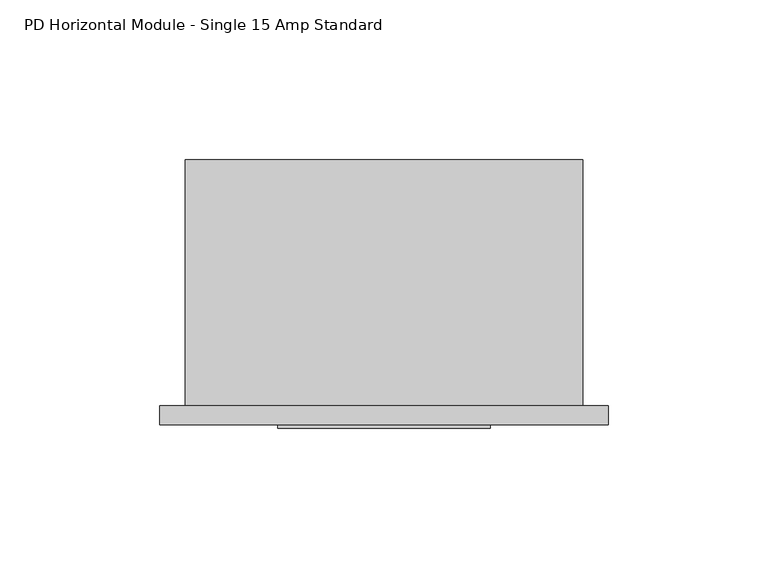
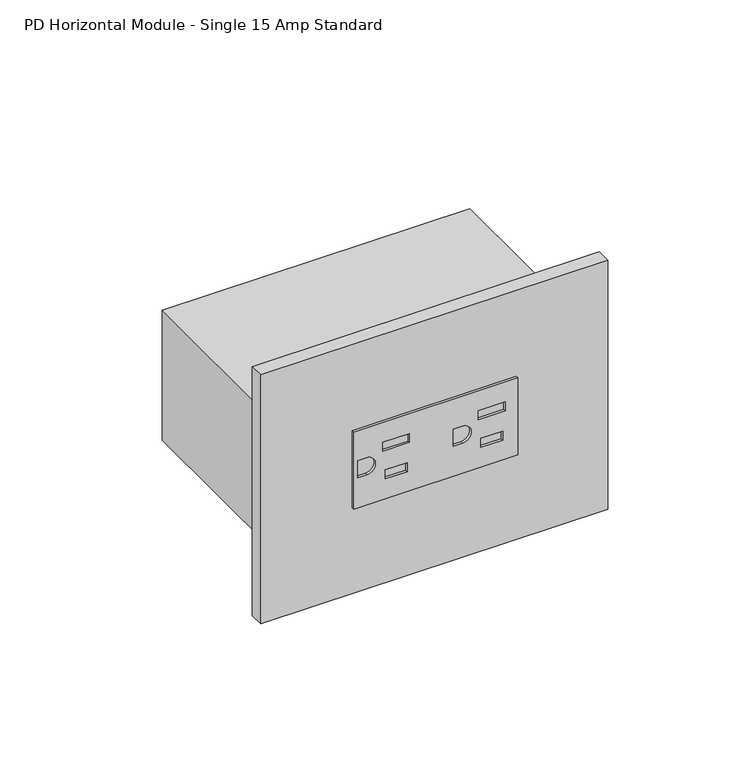
"""IFC4 building model written with IfcOpenShell, lengths in millimetres: proxy geometry, PD Horizontal Module - Single 15 Amp Standard."""

from ifc_helpers import new_model, si_unit, point, frame, frame_2d, origin, place, context, project, spatial, polyline, circle_curve, trimmed, segment, composite_curve, outline, extrude, source, transform, mapped, element, save


def pd_horizontal_module_single_15_amp_standard_5c934545(model_context):
    return source(origin(), model_context, "Body", "SweptSolid", [
        extrude(outline(polyline([(821.7027, 95.5294), (854.6973, 95.5294), (854.6973, 28.9814), (821.7027, 28.9814), (821.7027, 95.5294)]), holes=[polyline([(842.3529, 90.3478), (842.3529, 79.5274), (846.1883, 79.5274), (846.1883, 90.3478), (842.3529, 90.3478)]), polyline([(830.1863, 89.3699), (830.1863, 80.5053), (834.0217, 80.5053), (834.0217, 89.3699), (830.1863, 89.3699)]), composite_curve([segment(polyline([(834.5678, 69.342), (841.8322, 69.342), (841.8322, 72.9742)]), True, "CONTINUOUS"), segment(trimmed(circle_curve(frame_2d((838.2, 72.9742)), 3.6322), [point((841.8322, 72.9742))], [point((834.5678, 72.9742))], True, "CARTESIAN"), True, "CONTINUOUS"), segment(polyline([(834.5678, 72.9742), (834.5678, 69.342)]), True, "CONTINUOUS")], self_intersect=False), polyline([(842.3529, 51.6128), (842.3529, 40.7924), (846.1883, 40.7924), (846.1883, 51.6128), (842.3529, 51.6128)]), polyline([(830.1863, 50.6349), (830.1863, 41.7703), (834.0217, 41.7703), (834.0217, 50.6349), (830.1863, 50.6349)]), composite_curve([segment(polyline([(834.5678, 30.607), (841.8322, 30.607), (841.8322, 34.2392)]), True, "CONTINUOUS"), segment(trimmed(circle_curve(frame_2d((838.2, 34.2392)), 3.6322), [point((841.8322, 34.2392))], [point((834.5678, 34.2392))], True, "CARTESIAN"), True, "CONTINUOUS"), segment(polyline([(834.5678, 34.2392), (834.5678, 30.607)]), True, "CONTINUOUS")], self_intersect=False)]), frame((0.0, -6.9294746, 0.0), z_axis=(0.0, 1.0, 0.0), x_axis=(0.0, 0.0, 1.0)), (0.0, 0.0, 1.0), 1.0366746),
        extrude(outline(polyline([(-7.9502, 0.0), (132.4102, 0.0), (132.4102, -5.8928), (-7.9502, -5.8928), (-7.9502, 0.0)])), frame((0.0, 0.0, 784.9108), z_axis=(0.0, 0.0, 1.0), x_axis=(1.0, 0.0, 0.0)), (0.0, 0.0, 1.0), 106.5784),
        extrude(outline(polyline([(124.46, 0.0), (0.0, 0.0), (0.0, 77.054), (124.46, 77.054), (124.46, 0.0)])), frame((0.0, 0.0, 810.4124), z_axis=(0.0, 0.0, 1.0), x_axis=(1.0, 0.0, 0.0)), (0.0, 0.0, 1.0), 55.5752),
    ])


if __name__ == "__main__":
    model = new_model("IFC4")
    model_context = context("Model", 3, world=origin())
    ifc_project = project(units=[si_unit("LENGTHUNIT", "METRE", prefix="MILLI")], contexts=[model_context])
    site = spatial("IfcSite", under=ifc_project)
    building = spatial("IfcBuilding", under=site)
    placement = place(None, origin())
    pd_horizontal_module_single_15_amp_standard_shape = pd_horizontal_module_single_15_amp_standard_5c934545(model_context)
    element("IfcBuildingElementProxy", 1, Name="PD Horizontal Module - Single 15 Amp Standard", ObjectType="PD Horizontal Module - Single 15 Amp Standard", at=placement, inside=building, context=model_context, shape_type="MappedRepresentation", body=[
        mapped(pd_horizontal_module_single_15_amp_standard_shape, transform((0.0, 0.0, 0.0), x_axis=(1.0, 0.0, 0.0), y_axis=(0.0, 1.0, 0.0), z_axis=(0.0, 0.0, 1.0))),
    ])
    save(model, "model.ifc")
